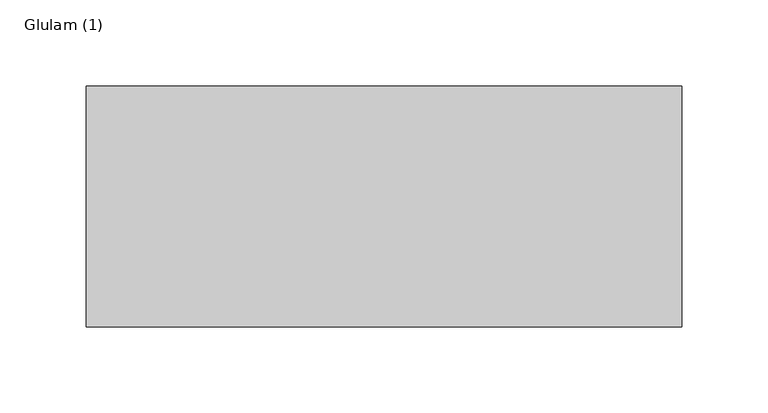
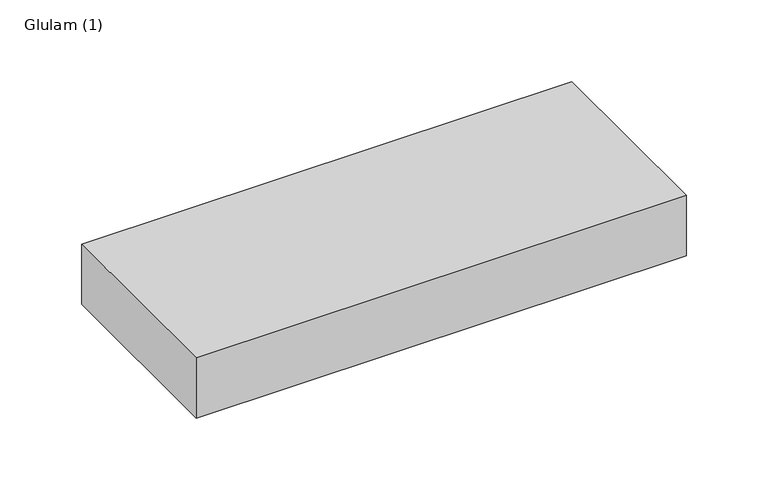
"""IFC4 building model written with IfcOpenShell, lengths in millimetres: beam geometry, Glulam (1)."""

from ifc_helpers import new_model, si_unit, frame, origin, place, context, project, spatial, polyline, outline, extrude, source, transform, mapped, element, save


def glulam_1_b3b19c2b(model_context):
    return source(origin(), model_context, "Body", "SweptSolid", [
        extrude(outline(polyline([(172.5, 70.0), (172.5, -70.0), (-173.5, -70.0), (-173.5, 70.0), (172.5, 70.0)])), frame((0.0, 0.0, -22.5), z_axis=(0.0, 0.0, 1.0), x_axis=(1.0, 0.0, 0.0)), (0.0, 0.0, 1.0), 45.0),
    ])


if __name__ == "__main__":
    model = new_model("IFC4")
    model_context = context("Model", 3, world=origin())
    ifc_project = project(units=[si_unit("LENGTHUNIT", "METRE", prefix="MILLI")], contexts=[model_context])
    site = spatial("IfcSite", under=ifc_project)
    building = spatial("IfcBuilding", under=site)
    placement = place(None, origin())
    glulam_1_shape = glulam_1_b3b19c2b(model_context)
    element("IfcBeam", 1, ObjectType="Glulam (1)", at=placement, inside=building, context=model_context, shape_type="MappedRepresentation", body=[
        mapped(glulam_1_shape, transform((0.0, 0.0, 0.0), x_axis=(1.0, 0.0, 0.0), y_axis=(0.0, 1.0, 0.0), z_axis=(0.0, 0.0, 1.0))),
    ])
    save(model, "model.ifc")
